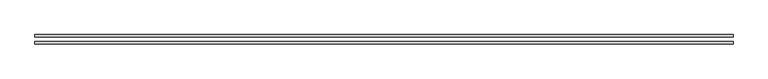
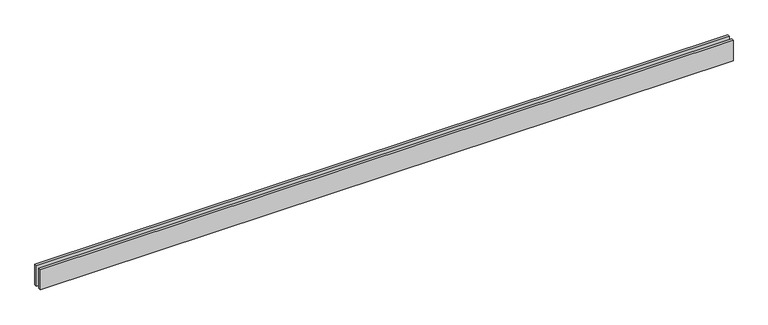
"""IFC4 building model written with IfcOpenShell, lengths in millimetres: proxy geometry."""

from ifc_helpers import new_model, si_unit, origin, origin_with_axes, place, context, project, spatial, polyline, outline, extrude, source, transform, mapped, element, save


def generic_models_1f28186e(model_context):
    return source(origin(), model_context, "Body", "SweptSolid", [
        extrude(outline(polyline([(8100.0, 25.0), (0.0, 25.0), (0.0, 55.0), (8100.0, 55.0), (8100.0, 25.0)])), origin_with_axes(), (0.0, 0.0, 1.0), 250.0),
        extrude(outline(polyline([(8100.0, -55.0), (0.0, -55.0), (0.0, -25.0), (8100.0, -25.0), (8100.0, -55.0)])), origin_with_axes(), (0.0, 0.0, 1.0), 250.0),
    ])


if __name__ == "__main__":
    model = new_model("IFC4")
    model_context = context("Model", 3, world=origin())
    ifc_project = project(units=[si_unit("LENGTHUNIT", "METRE", prefix="MILLI")], contexts=[model_context])
    site = spatial("IfcSite", under=ifc_project)
    building = spatial("IfcBuilding", under=site)
    placement = place(None, origin())
    generic_models_shape = generic_models_1f28186e(model_context)
    element("IfcBuildingElementProxy", 1, Name="Generic Models", at=placement, inside=building, context=model_context, shape_type="MappedRepresentation", body=[
        mapped(generic_models_shape, transform((0.0, 0.0, 0.0), x_axis=(1.0, 0.0, 0.0), y_axis=(0.0, 1.0, 0.0), z_axis=(0.0, 0.0, 1.0))),
    ])
    save(model, "model.ifc")
